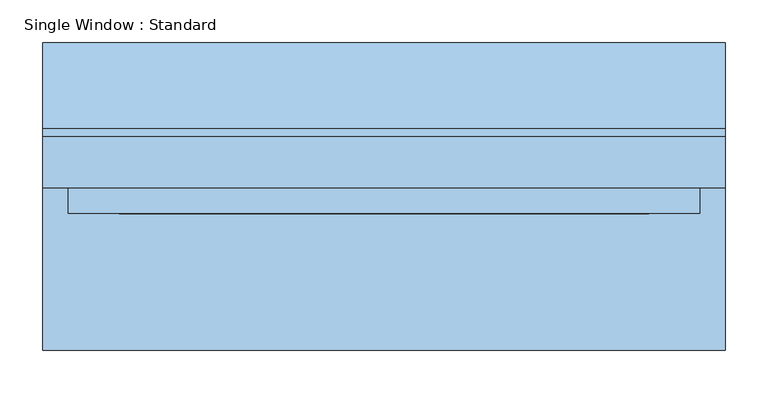
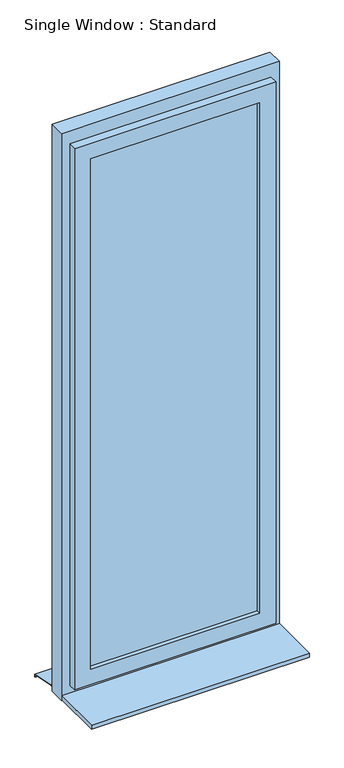
"""IFC4 building model written with IfcOpenShell, lengths in millimetres: window geometry, Single Window : Standard."""

from ifc_helpers import new_model, si_unit, frame, origin, place, context, project, spatial, polyline, outline, extrude, faceted_brep, source, transform, mapped, element, save


def single_window_standard_3a6ed891(model_context):
    return source(origin(), model_context, "Body", "SolidModel", [
        extrude(outline(polyline([(310.0553918, -5.0), (-310.0553918, -5.0), (-310.0553918, 25.0), (310.0553918, 25.0), (310.0553918, -5.0)])), frame((0.0, 0.0, 1110.0), z_axis=(0.0, 0.0, 1.0), x_axis=(1.0, 0.0, 0.0)), (0.0, 0.0, 1.0), 1980.8618056),
        faceted_brep([(370.0553918, 10.0, 3150.8618056), (370.0553918, -20.0, 3150.8618056), (370.0553918, -20.0, 1050.0), (370.0553918, 10.0, 1050.0), (340.0553918, 40.0, 3120.8618056), (340.0553918, 10.0, 3120.8618056), (340.0553918, 10.0, 1080.0), (340.0553918, 40.0, 1080.0), (310.0553918, -20.0, 3090.8618056), (310.0553918, 40.0, 3090.8618056), (310.0553918, 40.0, 1110.0), (310.0553918, -20.0, 1110.0), (-370.0553918, -20.0, 1050.0), (-370.0553918, 10.0, 1050.0), (-340.0553918, 10.0, 1080.0), (-340.0553918, 40.0, 1080.0), (-310.0553918, 40.0, 1110.0), (-310.0553918, -20.0, 1110.0), (-370.0553918, -20.0, 3150.8618056), (-370.0553918, 10.0, 3150.8618056), (-340.0553918, 10.0, 3120.8618056), (-340.0553918, 40.0, 3120.8618056), (-310.0553918, 40.0, 3090.8618056), (-310.0553918, -20.0, 3090.8618056)], [[[0, 1, 2, 3]], [[4, 5, 6, 7]], [[8, 9, 10, 11]], [[3, 2, 12, 13]], [[7, 6, 14, 15]], [[11, 10, 16, 17]], [[13, 12, 18, 19]], [[15, 14, 20, 21]], [[17, 16, 22, 23]], [[19, 18, 1, 0]], [[3, 13, 19, 0], [5, 20, 14, 6]], [[21, 20, 5, 4]], [[7, 15, 21, 4], [9, 22, 16, 10]], [[23, 22, 9, 8]], [[1, 18, 12, 2], [11, 17, 23, 8]]]),
        extrude(outline(polyline([(3200.8618056, 400.0553918), (3200.8618056, -400.0553918), (1000.0, -400.0553918), (1000.0, 400.0553918), (3200.8618056, 400.0553918)]), holes=[polyline([(3120.8618056, 340.0553918), (1080.0, 340.0553918), (1080.0, -340.0553918), (3120.8618056, -340.0553918), (3120.8618056, 340.0553918)])]), frame((0.0, 10.0, 0.0), z_axis=(0.0, 1.0, 0.0), x_axis=(0.0, 0.0, 1.0)), (0.0, 0.0, 1.0), 60.0),
        extrude(outline(polyline([(80.0221543, 1020.0), (180.0, 1000.0), (180.0, 990.0), (178.0, 990.0), (178.0, 998.3604634), (79.8240723, 1018.0), (70.0, 1018.0), (70.0, 1020.0), (80.0221543, 1020.0)])), frame((-400.0553918, 0.0, 0.0), z_axis=(1.0, 0.0, 0.0), x_axis=(0.0, 1.0, 0.0)), (0.0, 0.0, 1.0), 800.1107836),
        extrude(outline(polyline([(-400.0553918, -180.0), (-400.0553918, 10.0), (400.0553918, 10.0), (400.0553918, -180.0), (-400.0553918, -180.0)])), frame((0.0, 0.0, 1005.0), z_axis=(0.0, 0.0, 1.0), x_axis=(1.0, 0.0, 0.0)), (0.0, 0.0, 1.0), 15.0),
    ])


if __name__ == "__main__":
    model = new_model("IFC4")
    model_context = context("Model", 3, world=origin())
    ifc_project = project(units=[si_unit("LENGTHUNIT", "METRE", prefix="MILLI")], contexts=[model_context])
    site = spatial("IfcSite", under=ifc_project)
    building = spatial("IfcBuilding", under=site)
    placement = place(None, origin())
    single_window_standard_shape = single_window_standard_3a6ed891(model_context)
    element("IfcWindow", 1, ObjectType="Single Window : Standard", at=placement, inside=building, context=model_context, shape_type="MappedRepresentation", body=[
        mapped(single_window_standard_shape, transform((0.0, 0.0, 0.0), x_axis=(1.0, 0.0, 0.0), y_axis=(0.0, 1.0, 0.0), z_axis=(0.0, 0.0, 1.0))),
    ])
    save(model, "model.ifc")
